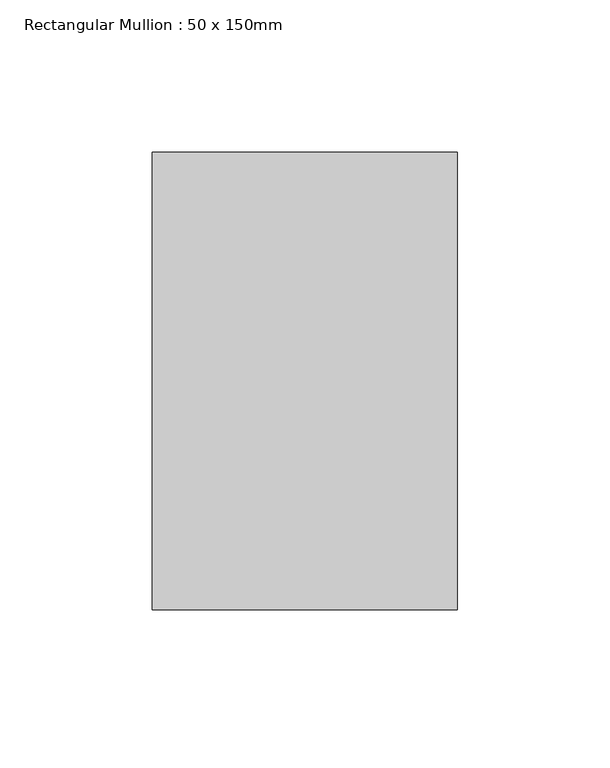
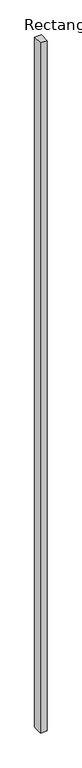
"""IFC4 building model written with IfcOpenShell, lengths in millimetres: member geometry, Rectangular Mullion : 50 x 150mm."""

from ifc_helpers import new_model, si_unit, frame, origin, place, context, project, spatial, polyline, outline, extrude, source, transform, mapped, element, save


def rectangular_mullion_50_x_150mm_b599a0a1(model_context):
    return source(origin(), model_context, "Body", "SweptSolid", [
        extrude(outline(polyline([(50.0, 75.0), (50.0, -75.0), (-50.0, -75.0), (-50.0, 75.0), (50.0, 75.0)])), frame((0.0, 0.0, -10921.7762889), z_axis=(0.0, 0.0, 1.0), x_axis=(1.0, 0.0, 0.0)), (0.0, 0.0, 1.0), 10921.7762889),
    ])


if __name__ == "__main__":
    model = new_model("IFC4")
    model_context = context("Model", 3, world=origin())
    ifc_project = project(units=[si_unit("LENGTHUNIT", "METRE", prefix="MILLI")], contexts=[model_context])
    site = spatial("IfcSite", under=ifc_project)
    building = spatial("IfcBuilding", under=site)
    placement = place(None, origin())
    rectangular_mullion_50_x_150mm_shape = rectangular_mullion_50_x_150mm_b599a0a1(model_context)
    element("IfcMember", 1, ObjectType="Rectangular Mullion : 50 x 150mm", at=placement, inside=building, context=model_context, shape_type="MappedRepresentation", body=[
        mapped(rectangular_mullion_50_x_150mm_shape, transform((0.0, 0.0, 0.0), x_axis=(1.0, 0.0, 0.0), y_axis=(0.0, 1.0, 0.0), z_axis=(0.0, 0.0, 1.0))),
    ])
    save(model, "model.ifc")
